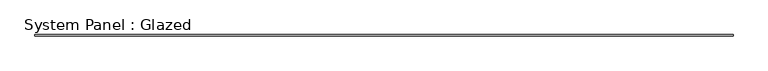
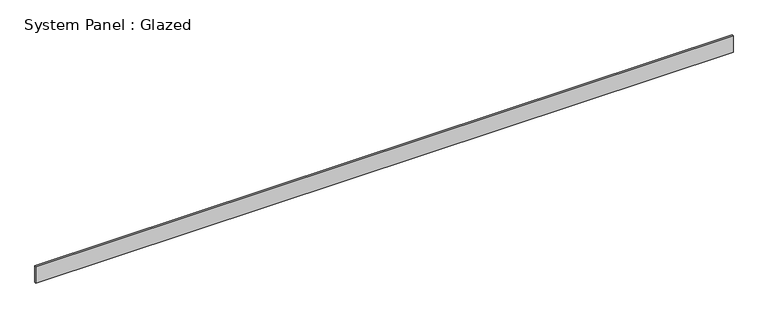
"""IFC4 building model written with IfcOpenShell, lengths in millimetres: plate geometry, System Panel : Glazed."""

from ifc_helpers import new_model, si_unit, origin, origin_with_axes, place, context, project, spatial, polyline, outline, extrude, source, transform, mapped, element, save


def system_panel_glazed_8f524acd(model_context):
    return source(origin(), model_context, "Body", "SweptSolid", [
        extrude(outline(polyline([(7026.3108316, 24.5), (-7026.3108316, 24.5), (-7026.3108316, 49.5), (7026.3108316, 49.5), (7026.3108316, 24.5)])), origin_with_axes(), (0.0, 0.0, 1.0), 350.0),
    ])


if __name__ == "__main__":
    model = new_model("IFC4")
    model_context = context("Model", 3, world=origin())
    ifc_project = project(units=[si_unit("LENGTHUNIT", "METRE", prefix="MILLI")], contexts=[model_context])
    site = spatial("IfcSite", under=ifc_project)
    building = spatial("IfcBuilding", under=site)
    placement = place(None, origin())
    system_panel_glazed_shape = system_panel_glazed_8f524acd(model_context)
    element("IfcPlate", 1, ObjectType="System Panel : Glazed", at=placement, inside=building, context=model_context, shape_type="MappedRepresentation", body=[
        mapped(system_panel_glazed_shape, transform((0.0, 0.0, 0.0), x_axis=(1.0, 0.0, 0.0), y_axis=(0.0, 1.0, 0.0), z_axis=(0.0, 0.0, 1.0))),
    ])
    save(model, "model.ifc")
